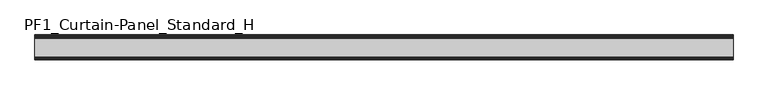
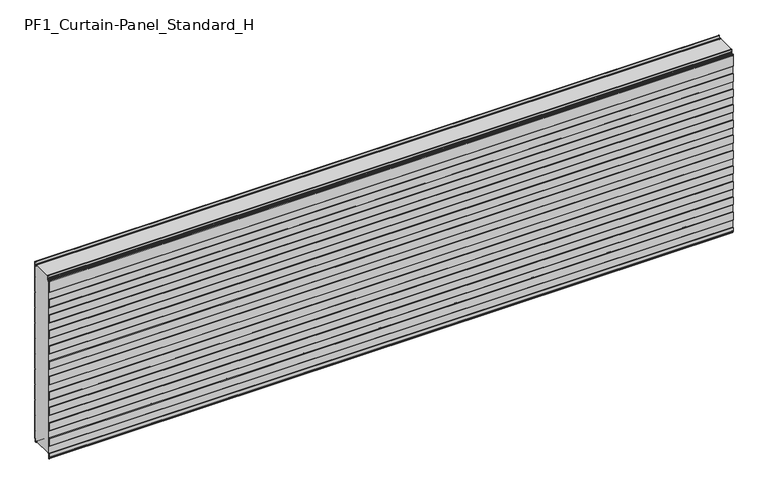
"""IFC4 building model written with IfcOpenShell, lengths in millimetres: plate geometry, PF1_Curtain-Panel_Standard_H."""

from ifc_helpers import new_model, si_unit, point, frame, frame_2d, origin, place, context, project, spatial, polyline, circle_curve, trimmed, segment, composite_curve, outline, extrude, source, transform, mapped, element, save


def pf1_curtain_panel_standard_h_f243b274(model_context):
    return source(origin(), model_context, "Body", "SweptSolid", [
        extrude(outline(composite_curve([segment(polyline([(-15.878557, 0.0), (-20.0, 0.0), (-20.0, 0.8), (-15.878557, 0.8)]), True, "CONTINUOUS"), segment(trimmed(circle_curve(frame_2d((-15.878557, -2.0)), 2.8), [point((-15.878557, 0.8))], [point((-13.1503208, -1.370137))], False, "CARTESIAN"), True, "CONTINUOUS"), segment(polyline([(-13.1503208, -1.370137), (-11.728236, -7.529863)]), True, "CONTINUOUS"), segment(trimmed(circle_curve(frame_2d((-9.0, -6.9)), 2.8), [point((-11.728236, -7.529863))], [point((-6.2, -6.9))], True, "CARTESIAN"), True, "CONTINUOUS"), segment(polyline([(-6.2, -6.9), (-6.2, 8.6)]), True, "CONTINUOUS"), segment(trimmed(circle_curve(frame_2d((-3.4, 8.6)), 2.8), [point((-6.2, 8.6))], [point((-3.4, 11.4))], False, "CARTESIAN"), True, "CONTINUOUS"), segment(polyline([(-3.4, 11.4), (-2.0, 11.4)]), True, "CONTINUOUS"), segment(trimmed(circle_curve(frame_2d((-2.0, 12.6)), 1.2), [point((-2.0, 11.4))], [point((-0.8, 12.6))], True, "CARTESIAN"), True, "CONTINUOUS"), segment(polyline([(-0.8, 12.6), (-0.8, 57.6856412), (-2.482606, 60.6), (-0.8, 63.5143588), (-0.8, 157.6856412), (-2.482606, 160.6), (-0.8, 163.5143588), (-0.8, 257.6856412), (-2.482606, 260.6), (-0.8, 263.5143588), (-0.8, 357.6856412), (-2.482606, 360.6), (-0.8, 363.5143588), (-0.8, 457.6856412), (-2.482606, 460.6), (-0.8, 463.5143588), (-0.8, 557.6856412), (-2.482606, 560.6), (-0.8, 563.5143588), (-0.8, 657.6856412), (-2.482606, 660.6), (-0.8, 663.5143588), (-0.8, 757.6856412), (-2.482606, 760.6), (-0.8, 763.5143588), (-0.8, 857.6856412), (-2.482606, 860.6), (-0.8, 863.5143588), (-0.8, 957.6856412), (-2.482606, 960.6), (-0.8, 963.5143588), (-0.8, 1057.6856412), (-2.482606, 1060.6), (-0.8, 1063.5143588), (-0.8, 1158.268846)]), True, "CONTINUOUS"), segment(trimmed(circle_curve(frame_2d((-2.5, 1158.268846)), 1.7), [point((-0.8, 1158.268846))], [point((-4.2, 1158.268846))], True, "CARTESIAN"), True, "CONTINUOUS"), segment(polyline([(-4.2, 1158.268846), (-4.2, 1141.268846)]), True, "CONTINUOUS"), segment(trimmed(circle_curve(frame_2d((-9.0, 1141.268846)), 4.8), [point((-4.2, 1141.268846))], [point((-13.7270771, 1140.4353344))], False, "CARTESIAN"), True, "CONTINUOUS"), segment(polyline([(-13.7270771, 1140.4353344), (-14.8636953, 1146.8814129)]), True, "CONTINUOUS"), segment(trimmed(circle_curve(frame_2d((-16.6363492, 1146.568846)), 1.8), [point((-14.8636953, 1146.8814129))], [point((-16.6363492, 1148.368846))], True, "CARTESIAN"), True, "CONTINUOUS"), segment(polyline([(-16.6363492, 1148.368846), (-20.0, 1148.368846), (-20.0, 1149.168846), (-16.6363492, 1149.168846)]), True, "CONTINUOUS"), segment(trimmed(circle_curve(frame_2d((-16.6363492, 1146.568846)), 2.6), [point((-16.6363492, 1149.168846))], [point((-14.0758491, 1147.0203315))], False, "CARTESIAN"), True, "CONTINUOUS"), segment(polyline([(-14.0758491, 1147.0203315), (-12.939231, 1140.574253)]), True, "CONTINUOUS"), segment(trimmed(circle_curve(frame_2d((-9.0, 1141.268846)), 4.0), [point((-12.939231, 1140.574253))], [point((-5.0, 1141.268846))], True, "CARTESIAN"), True, "CONTINUOUS"), segment(polyline([(-5.0, 1141.268846), (-5.0, 1158.268846)]), True, "CONTINUOUS"), segment(trimmed(circle_curve(frame_2d((-2.5, 1158.268846)), 2.5), [point((-5.0, 1158.268846))], [point((0.0, 1158.268846))], False, "CARTESIAN"), True, "CONTINUOUS"), segment(polyline([(0.0, 1158.268846), (0.0, 1063.2999995), (-1.5588455, 1060.6), (0.0, 1057.9000005), (0.0, 963.2999995), (-1.5588455, 960.6), (0.0, 957.9000005), (0.0, 863.2999995), (-1.5588455, 860.6), (0.0, 857.9000005), (0.0, 763.2999995), (-1.5588455, 760.6), (0.0, 757.9000005), (0.0, 663.2999995), (-1.5588455, 660.6), (0.0, 657.9000005), (0.0, 563.2999995), (-1.5588455, 560.6), (0.0, 557.9000005), (0.0, 463.2999995), (-1.5588455, 460.6), (0.0, 457.9000005), (0.0, 363.2999995), (-1.5588455, 360.6), (0.0, 357.9000005), (0.0, 263.2999995), (-1.5588455, 260.6), (0.0, 257.9000005), (0.0, 163.2999995), (-1.5588455, 160.6), (0.0, 157.9000005), (0.0, 63.2999995), (-1.5588455, 60.6), (0.0, 57.9000005), (0.0, 12.6)]), True, "CONTINUOUS"), segment(trimmed(circle_curve(frame_2d((-2.0, 12.6)), 2.0), [point((0.0, 12.6))], [point((-2.0, 10.6))], False, "CARTESIAN"), True, "CONTINUOUS"), segment(polyline([(-2.0, 10.6), (-3.4, 10.6)]), True, "CONTINUOUS"), segment(trimmed(circle_curve(frame_2d((-3.4, 8.6)), 2.0), [point((-3.4, 10.6))], [point((-5.4, 8.6))], True, "CARTESIAN"), True, "CONTINUOUS"), segment(polyline([(-5.4, 8.6), (-5.4, -6.9)]), True, "CONTINUOUS"), segment(trimmed(circle_curve(frame_2d((-9.0, -6.9)), 3.6), [point((-5.4, -6.9))], [point((-12.5077322, -7.7098239))], False, "CARTESIAN"), True, "CONTINUOUS"), segment(polyline([(-12.5077322, -7.7098239), (-13.929817, -1.5500979)]), True, "CONTINUOUS"), segment(trimmed(circle_curve(frame_2d((-15.878557, -2.0)), 2.0), [point((-13.929817, -1.5500979))], [point((-15.878557, 0.0))], True, "CARTESIAN"), True, "CONTINUOUS")], self_intersect=False)), frame((-2100.0, 0.0, 0.0), z_axis=(1.0, 0.0, 0.0), x_axis=(0.0, 1.0, 0.0)), (0.0, 0.0, 1.0), 4200.0),
        extrude(outline(composite_curve([segment(polyline([(-140.0, 0.0), (-143.5, 0.0)]), True, "CONTINUOUS"), segment(trimmed(circle_curve(frame_2d((-143.5, -2.0)), 2.0), [point((-143.5, 0.0))], [point((-145.5, -2.0))], True, "CARTESIAN"), True, "CONTINUOUS"), segment(polyline([(-145.5, -2.0), (-145.5, -33.0)]), True, "CONTINUOUS"), segment(trimmed(circle_curve(frame_2d((-146.5, -33.0)), 1.0), [point((-145.5, -33.0))], [point((-147.5, -33.0))], False, "CARTESIAN"), True, "CONTINUOUS"), segment(polyline([(-147.5, -33.0), (-147.5, -26.9)]), True, "CONTINUOUS"), segment(trimmed(circle_curve(frame_2d((-148.4, -26.9)), 0.9), [point((-147.5, -26.9))], [point((-148.4, -26.0))], True, "CARTESIAN"), True, "CONTINUOUS"), segment(trimmed(circle_curve(frame_2d((-148.4, -24.4)), 1.6), [point((-148.4, -26.0))], [point((-150.0, -24.4))], False, "CARTESIAN"), True, "CONTINUOUS"), segment(polyline([(-150.0, -24.4), (-150.0, -0.9952559), (-148.5, 1.6028217), (-148.5, 46.4028193), (-150.0, 49.0008969), (-150.0, 99.0047441), (-148.5, 101.6028217), (-148.5, 146.4028193), (-150.0, 149.0008969), (-150.0, 199.0047441), (-148.5, 201.6028217), (-148.5, 246.4028193), (-150.0, 249.0008969), (-150.0, 299.0047441), (-148.5, 301.6028217), (-148.5, 346.4028193), (-150.0, 349.0008969), (-150.0, 399.0047441), (-148.5, 401.6028217), (-148.5, 446.4028193), (-150.0, 449.0008969), (-150.0, 499.0047441), (-148.5, 501.6028217), (-148.5, 546.4028193), (-150.0, 549.0008969), (-150.0, 599.0047441), (-148.5, 601.6028217), (-148.5, 646.4028193), (-150.0, 649.0008969), (-150.0, 699.0047441), (-148.5, 701.6028217), (-148.5, 746.4028193), (-150.0, 749.0008969), (-150.0, 799.0047441), (-148.5, 801.6028217), (-148.5, 846.4028193), (-150.0, 849.0008969), (-150.0, 899.0047441), (-148.5, 901.6028217), (-148.5, 946.4028193), (-150.0, 949.0008969), (-150.0, 999.0047441), (-148.5, 1001.6028217), (-148.5, 1046.4028193), (-150.0, 1049.0008969), (-150.0, 1123.168846)]), True, "CONTINUOUS"), segment(trimmed(circle_curve(frame_2d((-149.0, 1123.168846)), 1.0), [point((-150.0, 1123.168846))], [point((-148.0, 1123.168846))], False, "CARTESIAN"), True, "CONTINUOUS"), segment(polyline([(-148.0, 1123.168846), (-148.0, 1117.168846)]), True, "CONTINUOUS"), segment(trimmed(circle_curve(frame_2d((-146.5, 1117.168846)), 1.5), [point((-148.0, 1117.168846))], [point((-145.0, 1117.168846))], True, "CARTESIAN"), True, "CONTINUOUS"), segment(polyline([(-145.0, 1117.168846), (-145.0, 1117.9964664)]), True, "CONTINUOUS"), segment(trimmed(circle_curve(frame_2d((-138.8276204, 1117.9964664)), 6.1723796), [point((-145.0, 1117.9964664))], [point((-138.8276204, 1124.168846))], False, "CARTESIAN"), True, "CONTINUOUS"), segment(polyline([(-138.8276204, 1124.168846), (-138.0, 1124.168846)]), True, "CONTINUOUS"), segment(trimmed(circle_curve(frame_2d((-138.0, 1125.168846)), 1.0), [point((-138.0, 1124.168846))], [point((-137.0, 1125.168846))], True, "CARTESIAN"), True, "CONTINUOUS"), segment(polyline([(-137.0, 1125.168846), (-137.0, 1131.6688472), (-135.4999999, 1133.168846), (-137.0, 1134.6688448), (-137.0, 1146.568846)]), True, "CONTINUOUS"), segment(trimmed(circle_curve(frame_2d((-134.4, 1146.568846)), 2.6), [point((-137.0, 1146.568846))], [point((-134.4, 1149.168846))], False, "CARTESIAN"), True, "CONTINUOUS"), segment(polyline([(-134.4, 1149.168846), (-133.0, 1149.168846), (-133.0, 1148.368846), (-134.4, 1148.368846)]), True, "CONTINUOUS"), segment(trimmed(circle_curve(frame_2d((-134.4, 1146.568846)), 1.8), [point((-134.4, 1148.368846))], [point((-136.2, 1146.568846))], True, "CARTESIAN"), True, "CONTINUOUS"), segment(polyline([(-136.2, 1146.568846), (-136.2, 1135.0002158), (-134.3686285, 1133.168846), (-136.2, 1131.3374762), (-136.2, 1125.168846)]), True, "CONTINUOUS"), segment(trimmed(circle_curve(frame_2d((-138.0, 1125.168846)), 1.8), [point((-136.2, 1125.168846))], [point((-138.0, 1123.368846))], False, "CARTESIAN"), True, "CONTINUOUS"), segment(polyline([(-138.0, 1123.368846), (-138.8276204, 1123.368846)]), True, "CONTINUOUS"), segment(trimmed(circle_curve(frame_2d((-138.8276204, 1117.9964664)), 5.3723796), [point((-138.8276204, 1123.368846))], [point((-144.2, 1117.9964664))], True, "CARTESIAN"), True, "CONTINUOUS"), segment(polyline([(-144.2, 1117.9964664), (-144.2, 1117.168846)]), True, "CONTINUOUS"), segment(trimmed(circle_curve(frame_2d((-146.4, 1117.168846)), 2.2), [point((-144.2, 1117.168846))], [point((-148.6, 1117.168846))], False, "CARTESIAN"), True, "CONTINUOUS"), segment(polyline([(-148.6, 1117.168846), (-148.6, 1123.0579973)]), True, "CONTINUOUS"), segment(trimmed(circle_curve(frame_2d((-148.9, 1123.0579973)), 0.3), [point((-148.6, 1123.0579973))], [point((-149.2, 1123.0579973))], True, "CARTESIAN"), True, "CONTINUOUS"), segment(polyline([(-149.2, 1123.0579973), (-149.2, 1049.2152562), (-147.7, 1046.6171786), (-147.7, 1001.3884624), (-149.2, 998.7903848), (-149.2, 949.2152562), (-147.7, 946.6171786), (-147.7, 901.3884624), (-149.2, 898.7903848), (-149.2, 849.2152562), (-147.7, 846.6171786), (-147.7, 801.3884624), (-149.2, 798.7903848), (-149.2, 749.2152562), (-147.7, 746.6171786), (-147.7, 701.3884624), (-149.2, 698.7903848), (-149.2, 649.2152562), (-147.7, 646.6171786), (-147.7, 601.3884624), (-149.2, 598.7903848), (-149.2, 549.2152562), (-147.7, 546.6171786), (-147.7, 501.3884624), (-149.2, 498.7903848), (-149.2, 449.2152562), (-147.7, 446.6171786), (-147.7, 401.3884624), (-149.2, 398.7903848), (-149.2, 349.2152562), (-147.7, 346.6171786), (-147.7, 301.3884624), (-149.2, 298.7903848), (-149.2, 249.2152562), (-147.7, 246.6171786), (-147.7, 201.3884624), (-149.2, 198.7903848), (-149.2, 149.2152562), (-147.7, 146.6171786), (-147.7, 101.3884624), (-149.2, 98.7903848), (-149.2, 49.2152562), (-147.7, 46.6171786), (-147.7, 1.3884624), (-149.2, -1.2096152), (-149.2, -24.4)]), True, "CONTINUOUS"), segment(trimmed(circle_curve(frame_2d((-148.4, -24.4)), 0.8), [point((-149.2, -24.4))], [point((-148.4, -25.2))], True, "CARTESIAN"), True, "CONTINUOUS"), segment(trimmed(circle_curve(frame_2d((-148.6133333, -26.9)), 1.7133333), [point((-148.4, -25.2))], [point((-146.9, -26.9))], False, "CARTESIAN"), True, "CONTINUOUS"), segment(polyline([(-146.9, -26.9), (-146.9, -32.8700312)]), True, "CONTINUOUS"), segment(trimmed(circle_curve(frame_2d((-146.6, -32.8700312)), 0.3), [point((-146.9, -32.8700312))], [point((-146.3, -32.8700312))], True, "CARTESIAN"), True, "CONTINUOUS"), segment(polyline([(-146.3, -32.8700312), (-146.3, -2.0)]), True, "CONTINUOUS"), segment(trimmed(circle_curve(frame_2d((-143.5, -2.0)), 2.8), [point((-146.3, -2.0))], [point((-143.5, 0.8))], False, "CARTESIAN"), True, "CONTINUOUS"), segment(polyline([(-143.5, 0.8), (-140.0, 0.8), (-140.0, 0.0)]), True, "CONTINUOUS")], self_intersect=False)), frame((-2100.0, 0.0, 0.0), z_axis=(1.0, 0.0, 0.0), x_axis=(0.0, 1.0, 0.0)), (0.0, 0.0, 1.0), 4200.0),
        extrude(outline(composite_curve([segment(polyline([(-140.0, 0.8), (-143.5, 0.8)]), True, "CONTINUOUS"), segment(trimmed(circle_curve(frame_2d((-143.5, -2.0)), 2.8), [point((-143.5, 0.8))], [point((-146.3, -2.0))], True, "CARTESIAN"), True, "CONTINUOUS"), segment(polyline([(-146.3, -2.0), (-146.3, -32.8700312)]), True, "CONTINUOUS"), segment(trimmed(circle_curve(frame_2d((-146.6, -32.8700312)), 0.3), [point((-146.3, -32.8700312))], [point((-146.9, -32.8700312))], False, "CARTESIAN"), True, "CONTINUOUS"), segment(polyline([(-146.9, -32.8700312), (-146.9, -26.9)]), True, "CONTINUOUS"), segment(trimmed(circle_curve(frame_2d((-148.6133333, -26.9)), 1.7133333), [point((-146.9, -26.9))], [point((-148.4, -25.2))], True, "CARTESIAN"), True, "CONTINUOUS"), segment(trimmed(circle_curve(frame_2d((-148.4, -24.4)), 0.8), [point((-148.4, -25.2))], [point((-149.2, -24.4))], False, "CARTESIAN"), True, "CONTINUOUS"), segment(polyline([(-149.2, -24.4), (-149.2, -1.2096152), (-147.7, 1.3884624), (-147.7, 46.6171786), (-149.2, 49.2152562), (-149.2, 98.7903848), (-147.7, 101.3884624), (-147.7, 146.6171786), (-149.2, 149.2152562), (-149.2, 198.7903848), (-147.7, 201.3884624), (-147.7, 246.6171786), (-149.2, 249.2152562), (-149.2, 298.7903848), (-147.7, 301.3884624), (-147.7, 346.6171786), (-149.2, 349.2152562), (-149.2, 398.7903848), (-147.7, 401.3884624), (-147.7, 446.6171786), (-149.2, 449.2152562), (-149.2, 498.7903848), (-147.7, 501.3884624), (-147.7, 546.6171786), (-149.2, 549.2152562), (-149.2, 598.7903848), (-147.7, 601.3884624), (-147.7, 646.6171786), (-149.2, 649.2152562), (-149.2, 698.7903848), (-147.7, 701.3884624), (-147.7, 746.6171786), (-149.2, 749.2152562), (-149.2, 798.7903848), (-147.7, 801.3884624), (-147.7, 846.6171786), (-149.2, 849.2152562), (-149.2, 898.7903848), (-147.7, 901.3884624), (-147.7, 946.6171786), (-149.2, 949.2152562), (-149.2, 998.7903848), (-147.7, 1001.3884624), (-147.7, 1046.6171786), (-149.2, 1049.2152562), (-149.2, 1123.0579973)]), True, "CONTINUOUS"), segment(trimmed(circle_curve(frame_2d((-148.9, 1123.0579973)), 0.3), [point((-149.2, 1123.0579973))], [point((-148.6, 1123.0579973))], False, "CARTESIAN"), True, "CONTINUOUS"), segment(polyline([(-148.6, 1123.0579973), (-148.6, 1117.168846)]), True, "CONTINUOUS"), segment(trimmed(circle_curve(frame_2d((-146.4, 1117.168846)), 2.2), [point((-148.6, 1117.168846))], [point((-144.2, 1117.168846))], True, "CARTESIAN"), True, "CONTINUOUS"), segment(polyline([(-144.2, 1117.168846), (-144.2, 1117.9964664)]), True, "CONTINUOUS"), segment(trimmed(circle_curve(frame_2d((-138.8276204, 1117.9964664)), 5.3723796), [point((-144.2, 1117.9964664))], [point((-138.8276204, 1123.368846))], False, "CARTESIAN"), True, "CONTINUOUS"), segment(polyline([(-138.8276204, 1123.368846), (-138.0, 1123.368846)]), True, "CONTINUOUS"), segment(trimmed(circle_curve(frame_2d((-138.0, 1125.168846)), 1.8), [point((-138.0, 1123.368846))], [point((-136.2, 1125.168846))], True, "CARTESIAN"), True, "CONTINUOUS"), segment(polyline([(-136.2, 1125.168846), (-136.2, 1131.3374762), (-134.3686285, 1133.168846), (-136.2, 1135.0002158), (-136.2, 1146.568846)]), True, "CONTINUOUS"), segment(trimmed(circle_curve(frame_2d((-134.4, 1146.568846)), 1.8), [point((-136.2, 1146.568846))], [point((-134.4, 1148.368846))], False, "CARTESIAN"), True, "CONTINUOUS"), segment(polyline([(-134.4, 1148.368846), (-133.0, 1148.368846), (-133.0, 1149.168846), (-20.0, 1149.168846), (-20.0, 1148.368846), (-16.6363492, 1148.368846)]), True, "CONTINUOUS"), segment(trimmed(circle_curve(frame_2d((-16.6363492, 1146.568846)), 1.8), [point((-16.6363492, 1148.368846))], [point((-14.8636953, 1146.8814129))], False, "CARTESIAN"), True, "CONTINUOUS"), segment(polyline([(-14.8636953, 1146.8814129), (-13.7270772, 1140.4353344)]), True, "CONTINUOUS"), segment(trimmed(circle_curve(frame_2d((-9.0, 1141.268846)), 4.8), [point((-13.7270772, 1140.4353344))], [point((-4.2, 1141.268846))], True, "CARTESIAN"), True, "CONTINUOUS"), segment(polyline([(-4.2, 1141.268846), (-4.2, 1158.268846)]), True, "CONTINUOUS"), segment(trimmed(circle_curve(frame_2d((-2.5, 1158.268846)), 1.7), [point((-4.2, 1158.268846))], [point((-0.8, 1158.268846))], False, "CARTESIAN"), True, "CONTINUOUS"), segment(polyline([(-0.8, 1158.268846), (-0.8, 1063.5143588), (-2.482606, 1060.6), (-0.8, 1057.6856412), (-0.8, 963.5143588), (-2.482606, 960.6), (-0.8, 957.6856412), (-0.8, 863.5143588), (-2.482606, 860.6), (-0.8, 857.6856412), (-0.8, 763.5143588), (-2.482606, 760.6), (-0.8, 757.6856412), (-0.8, 663.5143588), (-2.482606, 660.6), (-0.8, 657.6856412), (-0.8, 563.5143588), (-2.482606, 560.6), (-0.8, 557.6856412), (-0.8, 463.5143588), (-2.482606, 460.6), (-0.8, 457.6856412), (-0.8, 363.5143588), (-2.482606, 360.6), (-0.8, 357.6856412), (-0.8, 263.5143588), (-2.482606, 260.6), (-0.8, 257.6856412), (-0.8, 163.5143588), (-2.482606, 160.6), (-0.8, 157.6856412), (-0.8, 63.5143588), (-2.482606, 60.6), (-0.8, 57.6856412), (-0.8, 12.6)]), True, "CONTINUOUS"), segment(trimmed(circle_curve(frame_2d((-2.0, 12.6)), 1.2), [point((-0.8, 12.6))], [point((-2.0, 11.4))], False, "CARTESIAN"), True, "CONTINUOUS"), segment(polyline([(-2.0, 11.4), (-3.4, 11.4)]), True, "CONTINUOUS"), segment(trimmed(circle_curve(frame_2d((-3.4, 8.6)), 2.8), [point((-3.4, 11.4))], [point((-6.2, 8.6))], True, "CARTESIAN"), True, "CONTINUOUS"), segment(polyline([(-6.2, 8.6), (-6.2, -6.9)]), True, "CONTINUOUS"), segment(trimmed(circle_curve(frame_2d((-9.0, -6.9)), 2.8), [point((-6.2, -6.9))], [point((-11.7282362, -7.529863))], False, "CARTESIAN"), True, "CONTINUOUS"), segment(polyline([(-11.7282362, -7.529863), (-13.1503208, -1.370137)]), True, "CONTINUOUS"), segment(trimmed(circle_curve(frame_2d((-15.878557, -2.0)), 2.8), [point((-13.1503208, -1.370137))], [point((-15.878557, 0.8))], True, "CARTESIAN"), True, "CONTINUOUS"), segment(polyline([(-15.878557, 0.8), (-20.0, 0.8), (-20.0, 0.0), (-140.0, 0.0), (-140.0, 0.8)]), True, "CONTINUOUS")], self_intersect=False)), frame((-2100.0, 0.0, 0.0), z_axis=(1.0, 0.0, 0.0), x_axis=(0.0, 1.0, 0.0)), (0.0, 0.0, 1.0), 4200.0),
    ])


if __name__ == "__main__":
    model = new_model("IFC4")
    model_context = context("Model", 3, world=origin())
    ifc_project = project(units=[si_unit("LENGTHUNIT", "METRE", prefix="MILLI")], contexts=[model_context])
    site = spatial("IfcSite", under=ifc_project)
    building = spatial("IfcBuilding", under=site)
    placement = place(None, origin())
    pf1_curtain_panel_standard_h_shape = pf1_curtain_panel_standard_h_f243b274(model_context)
    element("IfcPlate", 1, ObjectType="PF1_Curtain-Panel_Standard_H", at=placement, inside=building, context=model_context, shape_type="MappedRepresentation", body=[
        mapped(pf1_curtain_panel_standard_h_shape, transform((0.0, 0.0, 0.0), x_axis=(1.0, 0.0, 0.0), y_axis=(0.0, 1.0, 0.0), z_axis=(0.0, 0.0, 1.0))),
    ])
    save(model, "model.ifc")
